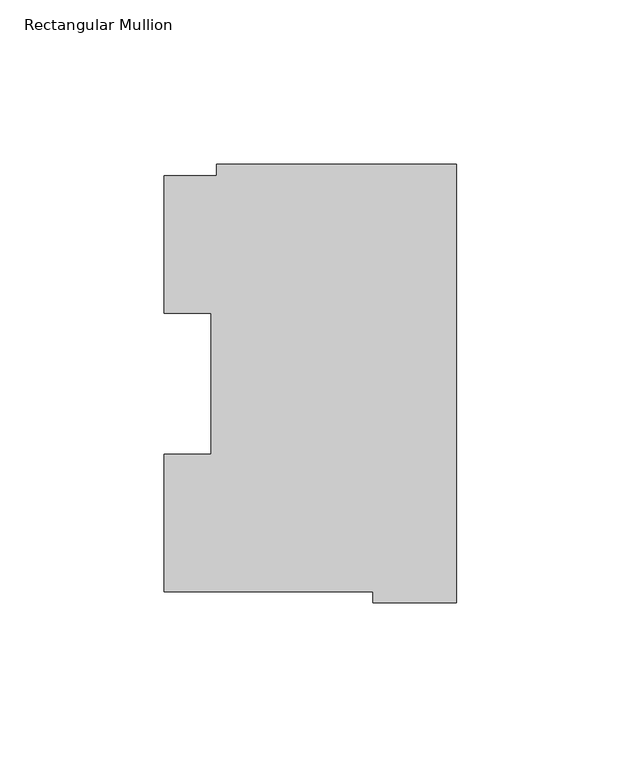
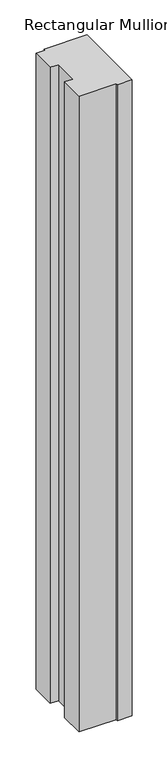
"""IFC4 building model written with IfcOpenShell, lengths in millimetres: member geometry, Rectangular Mullion."""

from ifc_helpers import new_model, si_unit, frame, origin, place, context, project, spatial, polyline, outline, extrude, source, transform, mapped, element, save


def rectangular_mullion_b4e8552e(model_context):
    return source(origin(), model_context, "Body", "SweptSolid", [
        extrude(outline(polyline([(-88.8772701, 126.75235), (-73.025, 126.75235), (-73.025, 130.1706837), (0.0, 130.1706837), (0.0, -3.193538), (-25.3772701, -3.193538), (-25.3772701, 0.26035), (-88.8772701, 0.26035), (-88.8772701, 42.0334858), (-74.5947228, 42.0334858), (-74.5947228, 84.93125), (-88.8772701, 84.93125), (-88.8772701, 126.75235)])), frame((0.0, 0.0, -1143.0), z_axis=(0.0, 0.0, 1.0), x_axis=(1.0, 0.0, 0.0)), (0.0, 0.0, 1.0), 1143.0),
    ])


if __name__ == "__main__":
    model = new_model("IFC4")
    model_context = context("Model", 3, world=origin())
    ifc_project = project(units=[si_unit("LENGTHUNIT", "METRE", prefix="MILLI")], contexts=[model_context])
    site = spatial("IfcSite", under=ifc_project)
    building = spatial("IfcBuilding", under=site)
    placement = place(None, origin())
    rectangular_mullion_shape = rectangular_mullion_b4e8552e(model_context)
    element("IfcMember", 1, ObjectType="Rectangular Mullion", at=placement, inside=building, context=model_context, shape_type="MappedRepresentation", body=[
        mapped(rectangular_mullion_shape, transform((0.0, 0.0, 0.0), x_axis=(1.0, 0.0, 0.0), y_axis=(0.0, 1.0, 0.0), z_axis=(0.0, 0.0, 1.0))),
    ])
    save(model, "model.ifc")
